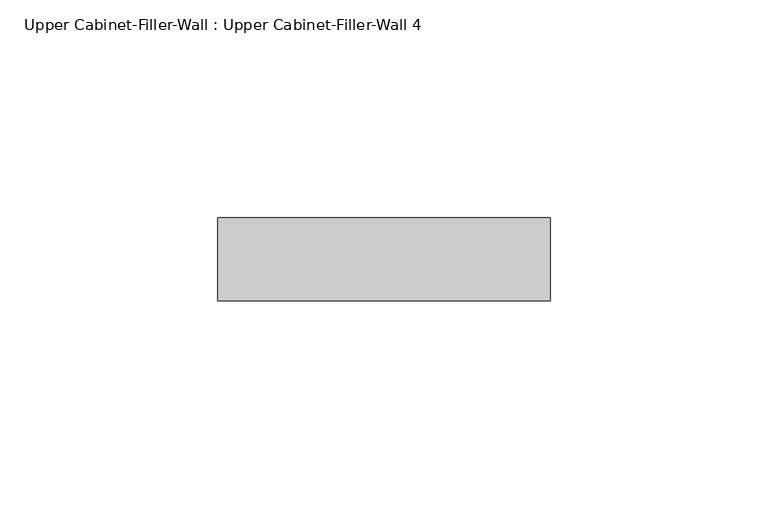
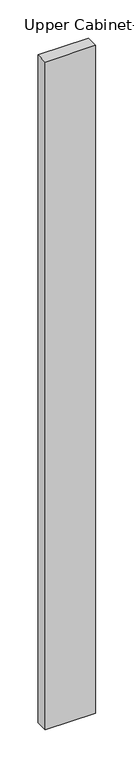
"""IFC4 building model written with IfcOpenShell, lengths in millimetres: furniture geometry, Upper Cabinet-Filler-Wall : Upper Cabinet-Filler-Wall 4."""

from ifc_helpers import new_model, si_unit, frame, origin, place, context, project, spatial, polyline, outline, extrude, source, transform, mapped, element, save


def upper_cabinet_filler_wall_upper_cabinet_filler_wall_4_9116b7ba(model_context):
    return source(origin(), model_context, "Body", "SweptSolid", [
        extrude(outline(polyline([(-8.3288372, -339.725), (67.8711628, -339.725), (67.8711628, -358.775), (-8.3288372, -358.775), (-8.3288372, -339.725)])), frame((0.0, 0.0, 1066.8), z_axis=(0.0, 0.0, 1.0), x_axis=(1.0, 0.0, 0.0)), (0.0, 0.0, 1.0), 1066.8),
    ])


if __name__ == "__main__":
    model = new_model("IFC4")
    model_context = context("Model", 3, world=origin())
    ifc_project = project(units=[si_unit("LENGTHUNIT", "METRE", prefix="MILLI")], contexts=[model_context])
    site = spatial("IfcSite", under=ifc_project)
    building = spatial("IfcBuilding", under=site)
    placement = place(None, origin())
    upper_cabinet_filler_wall_upper_cabinet_filler_wall_4_shape = upper_cabinet_filler_wall_upper_cabinet_filler_wall_4_9116b7ba(model_context)
    element("IfcFurniture", 1, ObjectType="Upper Cabinet-Filler-Wall : Upper Cabinet-Filler-Wall 4", at=placement, inside=building, context=model_context, shape_type="MappedRepresentation", body=[
        mapped(upper_cabinet_filler_wall_upper_cabinet_filler_wall_4_shape, transform((0.0, 0.0, 0.0), x_axis=(1.0, 0.0, 0.0), y_axis=(0.0, 1.0, 0.0), z_axis=(0.0, 0.0, 1.0))),
    ])
    save(model, "model.ifc")
